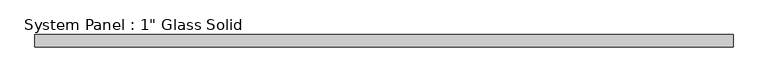
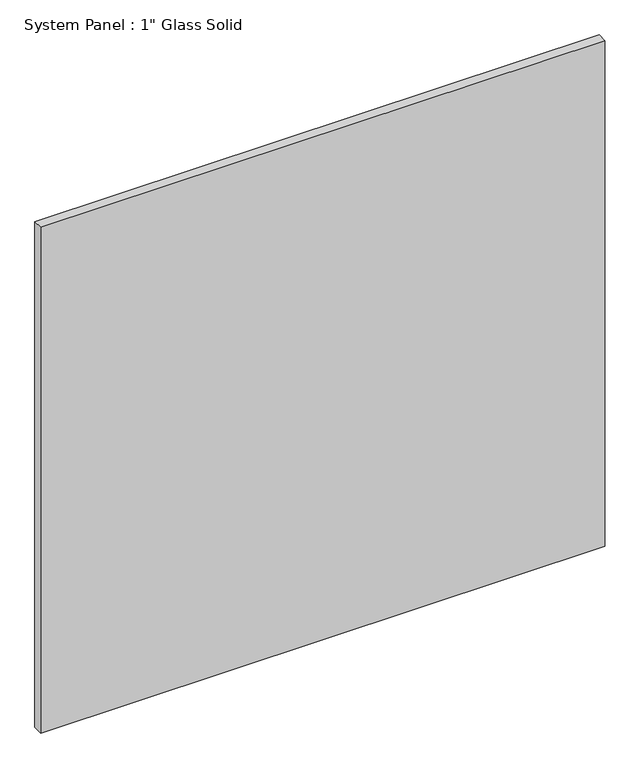
"""IFC4 building model written with IfcOpenShell, lengths in millimetres: plate geometry."""

from ifc_helpers import new_model, si_unit, origin, origin_with_axes, place, context, project, spatial, polyline, outline, extrude, source, transform, mapped, element, save


def plate_25f0a96e(model_context):
    return source(origin(), model_context, "Body", "SweptSolid", [
        extrude(outline(polyline([(728.1342185, -12.7), (-728.1342185, -12.7), (-728.1342185, 12.7), (728.1342185, 12.7), (728.1342185, -12.7)])), origin_with_axes(), (0.0, 0.0, 1.0), 1379.4928882),
    ])


if __name__ == "__main__":
    model = new_model("IFC4")
    model_context = context("Model", 3, world=origin())
    ifc_project = project(units=[si_unit("LENGTHUNIT", "METRE", prefix="MILLI")], contexts=[model_context])
    site = spatial("IfcSite", under=ifc_project)
    building = spatial("IfcBuilding", under=site)
    placement = place(None, origin())
    plate_shape = plate_25f0a96e(model_context)
    element("IfcPlate", 1, ObjectType="System Panel : 1\" Glass Solid", at=placement, inside=building, context=model_context, shape_type="MappedRepresentation", body=[
        mapped(plate_shape, transform((0.0, 0.0, 0.0), x_axis=(1.0, 0.0, 0.0), y_axis=(0.0, 1.0, 0.0), z_axis=(0.0, 0.0, 1.0))),
    ])
    save(model, "model.ifc")
